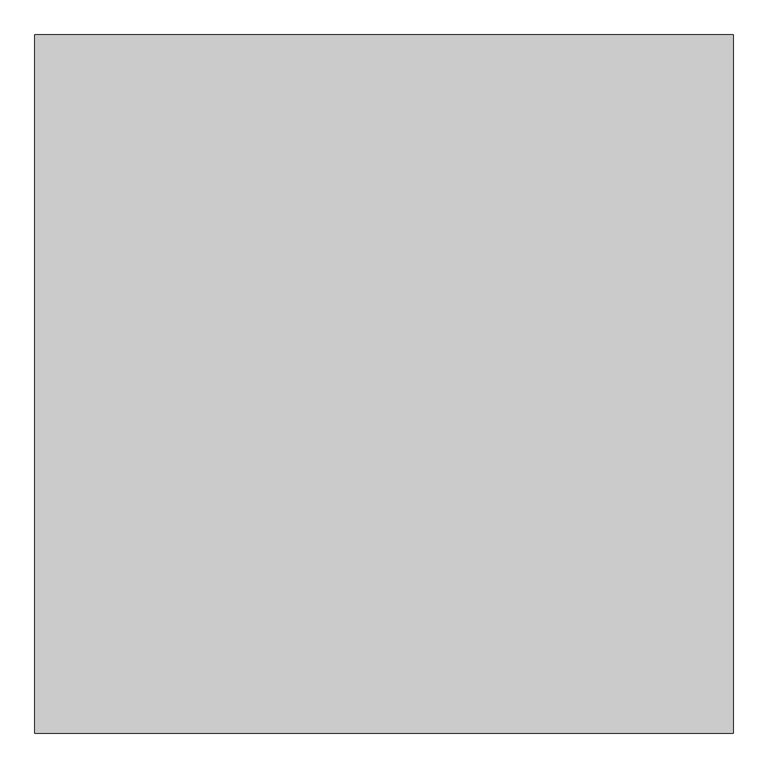
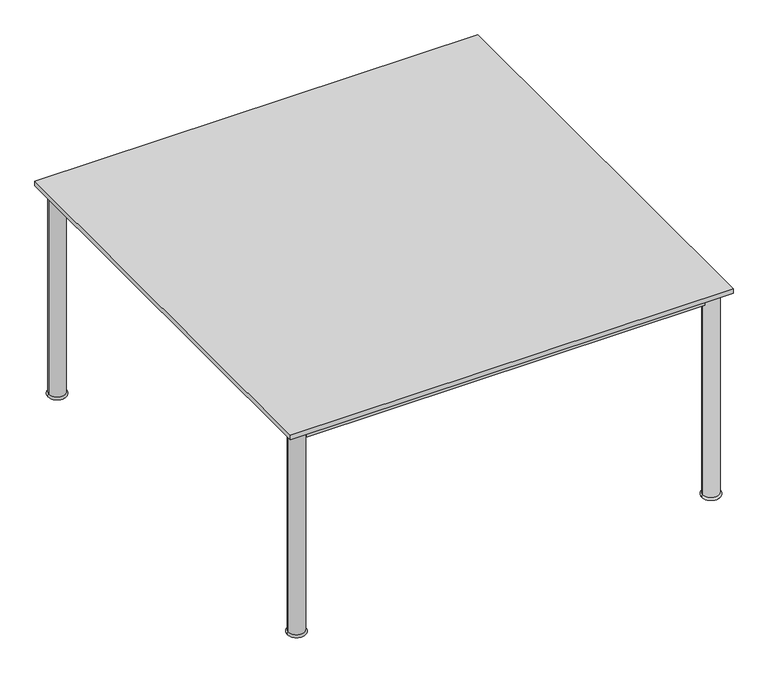
"""IFC4 building model written with IfcOpenShell, lengths in millimetres: furniture geometry."""

from ifc_helpers import new_model, si_unit, point, frame, origin, place, context, project, spatial, polyline, circle_curve, ellipse_curve, trimmed, outline, extrude, source, transform, mapped, element, save
from ifc_brep_helpers import plane_surface, cylinder_surface, revolved_surface, advanced_brep


def furniture_8cb492dd(model_context):
    return source(origin(), model_context, "Body", "SolidModel", [
        extrude(outline(polyline([(628.65, -648.5549408), (628.65, -667.6049408), (-628.65, -667.6049408), (-628.65, -648.5549408), (628.65, -648.5549408)])), frame((0.0, 0.0, 646.1125), z_axis=(0.0, 0.0, 1.0), x_axis=(1.0, 0.0, 0.0)), (0.0, 0.0, 1.0), 33.3375),
        extrude(outline(polyline([(628.65, 659.5450592), (628.65, 640.4950592), (-628.65, 640.4950592), (-628.65, 659.5450592), (628.65, 659.5450592)])), frame((0.0, 0.0, 646.1125), z_axis=(0.0, 0.0, 1.0), x_axis=(1.0, 0.0, 0.0)), (0.0, 0.0, 1.0), 33.3375),
        extrude(outline(polyline([(-644.525, 624.6200592), (-644.525, -632.6799408), (-663.575, -632.6799408), (-663.575, 624.6200592), (-644.525, 624.6200592)])), frame((0.0, 0.0, 646.1125), z_axis=(0.0, 0.0, 1.0), x_axis=(1.0, 0.0, 0.0)), (0.0, 0.0, 1.0), 33.3375),
        extrude(outline(polyline([(663.575, 624.6200592), (663.575, -632.6799408), (644.525, -632.6799408), (644.525, 624.6200592), (663.575, 624.6200592)])), frame((0.0, 0.0, 646.1125), z_axis=(0.0, 0.0, 1.0), x_axis=(1.0, 0.0, 0.0)), (0.0, 0.0, 1.0), 33.3375),
        advanced_brep(
        [(628.65, 650.0200592, 0.0), (679.45, 650.0200592, 0.0), (679.45, 650.0200592, 7.9375), (628.65, 650.0200592, 7.9375), (679.45, 650.0200592, 679.45), (628.65, 650.0200592, 679.45), (679.45, 650.0200592, 684.2125), (628.65, 650.0200592, 684.2125), (654.05, 650.0200592, 684.2125), (654.05, 650.0200592, 0.0)],
        [
            (0, 1, circle_curve(frame((654.05, 650.0200592, 0.0), z_axis=(0.0, 0.0, 1.0), x_axis=(1.0, 0.0, 0.0)), 25.4)),
            (1, 2, circle_curve(frame((679.45, 650.0200592, 3.96875), z_axis=(0.0, -1.0, 0.0), x_axis=(-1.0, 0.0, 0.0)), 3.96875)),
            (2, 3, circle_curve(frame((654.05, 650.0200592, 7.9375), z_axis=(0.0, 0.0, -1.0), x_axis=(1.0, 0.0, 0.0)), 25.4)),
            (3, 0, circle_curve(frame((628.65, 650.0200592, 3.96875), z_axis=(0.0, -1.0, 0.0), x_axis=(1.0, 0.0, 0.0)), 3.96875)),
            (1, 0, circle_curve(frame((654.05, 650.0200592, 0.0), z_axis=(0.0, 0.0, 1.0), x_axis=(1.0, 0.0, 0.0)), 25.4)),
            (3, 2, circle_curve(frame((654.05, 650.0200592, 7.9375), z_axis=(0.0, 0.0, -1.0), x_axis=(1.0, 0.0, 0.0)), 25.4)),
            (2, 4),
            (4, 5, circle_curve(frame((654.05, 650.0200592, 679.45), z_axis=(0.0, 0.0, -1.0), x_axis=(1.0, 0.0, 0.0)), 25.4)),
            (5, 3),
            (5, 4, circle_curve(frame((654.05, 650.0200592, 679.45), z_axis=(0.0, 0.0, -1.0), x_axis=(1.0, 0.0, 0.0)), 25.4)),
            (4, 6),
            (6, 7, circle_curve(frame((654.05, 650.0200592, 684.2125), z_axis=(0.0, 0.0, -1.0), x_axis=(1.0, 0.0, 0.0)), 25.4)),
            (7, 5),
            (7, 6, circle_curve(frame((654.05, 650.0200592, 684.2125), z_axis=(0.0, 0.0, -1.0), x_axis=(1.0, 0.0, 0.0)), 25.4)),
            (6, 8),
            (8, 7),
            (9, 1),
            (0, 9),
        ],
        [
            revolved_surface(trimmed(ellipse_curve(frame((679.45, 650.0200592, 3.96875), z_axis=(0.0, 1.0, 0.0), x_axis=(-1.0, 0.0, 0.0)), 3.96875, 3.96875), [point((679.45, 650.0200592, 7.9375))], [point((679.45, 650.0200592, 0.0))], True, "CARTESIAN"), (654.05, 650.0200592, 2438.4), (0.0, 0.0, -1.0)),
            cylinder_surface(frame((654.05, 650.0200592, 2438.4), z_axis=(0.0, 0.0, -1.0), x_axis=(1.0, 0.0, 0.0)), 25.4),
            plane_surface(frame((654.05, 650.0200592, 684.2125), z_axis=(0.0, 0.0, 1.0), x_axis=(1.0, 0.0, 0.0))),
            plane_surface(frame((654.05, 650.0200592, 0.0), z_axis=(0.0, 0.0, -1.0), x_axis=(1.0, 0.0, 0.0))),
        ],
        [
            (0, [[1, 2, 3, 4]]),
            (0, [[5, -4, 6, -2]]),
            (1, [[-3, 7, 8, 9]]),
            (1, [[-6, -9, 10, -7]]),
            (1, [[-8, 11, 12, 13]]),
            (1, [[-10, -13, 14, -11]]),
            (2, [[-12, 15, 16]]),
            (2, [[-14, -16, -15]]),
            (3, [[17, -1, 18]]),
            (3, [[-18, -5, -17]]),
        ],
    ),
        advanced_brep(
        [(-628.65, 650.0200592, 7.9375), (-679.45, 650.0200592, 7.9375), (-679.45, 650.0200592, 0.0), (-628.65, 650.0200592, 0.0), (-628.65, 650.0200592, 679.45), (-679.45, 650.0200592, 679.45), (-628.65, 650.0200592, 684.2125), (-679.45, 650.0200592, 684.2125), (-654.05, 650.0200592, 684.2125), (-654.05, 650.0200592, 0.0)],
        [
            (0, 1, circle_curve(frame((-654.05, 650.0200592, 7.9375), z_axis=(0.0, 0.0, -1.0), x_axis=(-1.0, 0.0, 0.0)), 25.4)),
            (1, 2, circle_curve(frame((-679.45, 650.0200592, 3.96875), z_axis=(0.0, -1.0, 0.0), x_axis=(-1.0, 0.0, 0.0)), 3.96875)),
            (2, 3, circle_curve(frame((-654.05, 650.0200592, 0.0), z_axis=(0.0, 0.0, 1.0), x_axis=(-1.0, 0.0, 0.0)), 25.4)),
            (3, 0, circle_curve(frame((-628.65, 650.0200592, 3.96875), z_axis=(0.0, -1.0, 0.0), x_axis=(1.0, 0.0, 0.0)), 3.96875)),
            (1, 0, circle_curve(frame((-654.05, 650.0200592, 7.9375), z_axis=(0.0, 0.0, -1.0), x_axis=(-1.0, 0.0, 0.0)), 25.4)),
            (3, 2, circle_curve(frame((-654.05, 650.0200592, 0.0), z_axis=(0.0, 0.0, 1.0), x_axis=(-1.0, 0.0, 0.0)), 25.4)),
            (4, 5, circle_curve(frame((-654.05, 650.0200592, 679.45), z_axis=(0.0, 0.0, -1.0), x_axis=(-1.0, 0.0, 0.0)), 25.4)),
            (5, 1),
            (0, 4),
            (5, 4, circle_curve(frame((-654.05, 650.0200592, 679.45), z_axis=(0.0, 0.0, -1.0), x_axis=(-1.0, 0.0, 0.0)), 25.4)),
            (6, 7, circle_curve(frame((-654.05, 650.0200592, 684.2125), z_axis=(0.0, 0.0, -1.0), x_axis=(-1.0, 0.0, 0.0)), 25.4)),
            (7, 5),
            (4, 6),
            (7, 6, circle_curve(frame((-654.05, 650.0200592, 684.2125), z_axis=(0.0, 0.0, -1.0), x_axis=(-1.0, 0.0, 0.0)), 25.4)),
            (8, 7),
            (6, 8),
            (2, 9),
            (9, 3),
        ],
        [
            revolved_surface(trimmed(ellipse_curve(frame((-679.45, 650.0200592, 3.96875), z_axis=(0.0, 1.0, 0.0), x_axis=(-1.0, 0.0, 0.0)), 3.96875, 3.96875), [point((-679.45, 650.0200592, 0.0))], [point((-679.45, 650.0200592, 7.9375))], True, "CARTESIAN"), (-654.05, 650.0200592, 2438.4), (0.0, 0.0, 1.0)),
            cylinder_surface(frame((-654.05, 650.0200592, 2438.4), z_axis=(0.0, 0.0, 1.0), x_axis=(-1.0, 0.0, 0.0)), 25.4),
            plane_surface(frame((-654.05, 650.0200592, 684.2125), z_axis=(0.0, 0.0, 1.0), x_axis=(-1.0, 0.0, 0.0))),
            plane_surface(frame((-654.05, 650.0200592, 0.0), z_axis=(0.0, 0.0, -1.0), x_axis=(-1.0, 0.0, 0.0))),
        ],
        [
            (0, [[1, 2, 3, 4]]),
            (0, [[5, -4, 6, -2]]),
            (1, [[7, 8, -1, 9]]),
            (1, [[10, -9, -5, -8]]),
            (1, [[11, 12, -7, 13]]),
            (1, [[14, -13, -10, -12]]),
            (2, [[15, -11, 16]]),
            (2, [[-16, -14, -15]]),
            (3, [[-3, 17, 18]]),
            (3, [[-6, -18, -17]]),
        ],
    ),
        advanced_brep(
        [(628.3957141, -658.0799408, 0.0), (679.7042859, -658.0799408, 0.0), (679.45, -658.0799408, 7.9293453), (628.65, -658.0799408, 7.9293453), (679.45, -658.0799408, 679.45), (628.65, -658.0799408, 679.45), (679.45, -658.0799408, 684.2125), (628.65, -658.0799408, 684.2125), (654.05, -658.0799408, 684.2125), (654.05, -658.0799408, 0.0)],
        [
            (0, 1, circle_curve(frame((654.05, -658.0799408, 0.0), z_axis=(0.0, 0.0, 1.0), x_axis=(1.0, 0.0, 0.0)), 25.6542859)),
            (1, 2, circle_curve(frame((679.7042859, -658.0799408, 3.96875), z_axis=(0.0, -1.0, 0.0), x_axis=(1.0, 0.0, 0.0)), 3.96875)),
            (2, 3, circle_curve(frame((654.05, -658.0799408, 7.9293453), z_axis=(0.0, 0.0, -1.0), x_axis=(1.0, 0.0, 0.0)), 25.4)),
            (3, 0, circle_curve(frame((628.3957141, -658.0799408, 3.96875), z_axis=(0.0, -1.0, 0.0), x_axis=(-1.0, 0.0, 0.0)), 3.96875)),
            (1, 0, circle_curve(frame((654.05, -658.0799408, 0.0), z_axis=(0.0, 0.0, 1.0), x_axis=(1.0, 0.0, 0.0)), 25.6542859)),
            (3, 2, circle_curve(frame((654.05, -658.0799408, 7.9293453), z_axis=(0.0, 0.0, -1.0), x_axis=(1.0, 0.0, 0.0)), 25.4)),
            (2, 4),
            (4, 5, circle_curve(frame((654.05, -658.0799408, 679.45), z_axis=(0.0, 0.0, -1.0), x_axis=(1.0, 0.0, 0.0)), 25.4)),
            (5, 3),
            (5, 4, circle_curve(frame((654.05, -658.0799408, 679.45), z_axis=(0.0, 0.0, -1.0), x_axis=(1.0, 0.0, 0.0)), 25.4)),
            (4, 6),
            (6, 7, circle_curve(frame((654.05, -658.0799408, 684.2125), z_axis=(0.0, 0.0, -1.0), x_axis=(1.0, 0.0, 0.0)), 25.4)),
            (7, 5),
            (7, 6, circle_curve(frame((654.05, -658.0799408, 684.2125), z_axis=(0.0, 0.0, -1.0), x_axis=(1.0, 0.0, 0.0)), 25.4)),
            (6, 8),
            (8, 7),
            (9, 1),
            (0, 9),
        ],
        [
            revolved_surface(trimmed(ellipse_curve(frame((679.7042859, -658.0799408, 3.96875), z_axis=(0.0, 1.0, 0.0), x_axis=(1.0, 0.0, 0.0)), 3.96875, 3.96875), [point((679.45, -658.0799408, 7.9293453))], [point((679.7042859, -658.0799408, 0.0))], True, "CARTESIAN"), (654.05, -658.0799408, 2438.4), (0.0, 0.0, -1.0)),
            cylinder_surface(frame((654.05, -658.0799408, 2438.4), z_axis=(0.0, 0.0, -1.0), x_axis=(1.0, 0.0, 0.0)), 25.4),
            plane_surface(frame((654.05, -658.0799408, 684.2125), z_axis=(0.0, 0.0, 1.0), x_axis=(1.0, 0.0, 0.0))),
            plane_surface(frame((654.05, -658.0799408, 0.0), z_axis=(0.0, 0.0, -1.0), x_axis=(1.0, 0.0, 0.0))),
        ],
        [
            (0, [[1, 2, 3, 4]]),
            (0, [[5, -4, 6, -2]]),
            (1, [[-3, 7, 8, 9]]),
            (1, [[-6, -9, 10, -7]]),
            (1, [[-8, 11, 12, 13]]),
            (1, [[-10, -13, 14, -11]]),
            (2, [[-12, 15, 16]]),
            (2, [[-14, -16, -15]]),
            (3, [[17, -1, 18]]),
            (3, [[-18, -5, -17]]),
        ],
    ),
        advanced_brep(
        [(-628.65, -658.0799408, 7.9375), (-679.45, -658.0799408, 7.9375), (-679.45, -658.0799408, 0.0), (-628.65, -658.0799408, 0.0), (-628.65, -658.0799408, 679.45), (-679.45, -658.0799408, 679.45), (-628.65, -658.0799408, 684.2125), (-679.45, -658.0799408, 684.2125), (-654.05, -658.0799408, 684.2125), (-654.05, -658.0799408, 0.0)],
        [
            (0, 1, circle_curve(frame((-654.05, -658.0799408, 7.9375), z_axis=(0.0, 0.0, -1.0), x_axis=(-1.0, 0.0, 0.0)), 25.4)),
            (1, 2, circle_curve(frame((-679.45, -658.0799408, 3.96875), z_axis=(0.0, -1.0, 0.0), x_axis=(-1.0, 0.0, 0.0)), 3.96875)),
            (2, 3, circle_curve(frame((-654.05, -658.0799408, 0.0), z_axis=(0.0, 0.0, 1.0), x_axis=(-1.0, 0.0, 0.0)), 25.4)),
            (3, 0, circle_curve(frame((-628.65, -658.0799408, 3.96875), z_axis=(0.0, -1.0, 0.0), x_axis=(1.0, 0.0, 0.0)), 3.96875)),
            (1, 0, circle_curve(frame((-654.05, -658.0799408, 7.9375), z_axis=(0.0, 0.0, -1.0), x_axis=(-1.0, 0.0, 0.0)), 25.4)),
            (3, 2, circle_curve(frame((-654.05, -658.0799408, 0.0), z_axis=(0.0, 0.0, 1.0), x_axis=(-1.0, 0.0, 0.0)), 25.4)),
            (4, 5, circle_curve(frame((-654.05, -658.0799408, 679.45), z_axis=(0.0, 0.0, -1.0), x_axis=(-1.0, 0.0, 0.0)), 25.4)),
            (5, 1),
            (0, 4),
            (5, 4, circle_curve(frame((-654.05, -658.0799408, 679.45), z_axis=(0.0, 0.0, -1.0), x_axis=(-1.0, 0.0, 0.0)), 25.4)),
            (6, 7, circle_curve(frame((-654.05, -658.0799408, 684.2125), z_axis=(0.0, 0.0, -1.0), x_axis=(-1.0, 0.0, 0.0)), 25.4)),
            (7, 5),
            (4, 6),
            (7, 6, circle_curve(frame((-654.05, -658.0799408, 684.2125), z_axis=(0.0, 0.0, -1.0), x_axis=(-1.0, 0.0, 0.0)), 25.4)),
            (8, 7),
            (6, 8),
            (2, 9),
            (9, 3),
        ],
        [
            revolved_surface(trimmed(ellipse_curve(frame((-679.45, -658.0799408, 3.96875), z_axis=(0.0, 1.0, 0.0), x_axis=(-1.0, 0.0, 0.0)), 3.96875, 3.96875), [point((-679.45, -658.0799408, 0.0))], [point((-679.45, -658.0799408, 7.9375))], True, "CARTESIAN"), (-654.05, -658.0799408, 2438.4), (0.0, 0.0, 1.0)),
            cylinder_surface(frame((-654.05, -658.0799408, 2438.4), z_axis=(0.0, 0.0, 1.0), x_axis=(-1.0, 0.0, 0.0)), 25.4),
            plane_surface(frame((-654.05, -658.0799408, 684.2125), z_axis=(0.0, 0.0, 1.0), x_axis=(-1.0, 0.0, 0.0))),
            plane_surface(frame((-654.05, -658.0799408, 0.0), z_axis=(0.0, 0.0, -1.0), x_axis=(-1.0, 0.0, 0.0))),
        ],
        [
            (0, [[1, 2, 3, 4]]),
            (0, [[5, -4, 6, -2]]),
            (1, [[7, 8, -1, 9]]),
            (1, [[10, -9, -5, -8]]),
            (1, [[11, 12, -7, 13]]),
            (1, [[14, -13, -10, -12]]),
            (2, [[15, -11, 16]]),
            (2, [[-16, -14, -15]]),
            (3, [[-3, 17, 18]]),
            (3, [[-6, -18, -17]]),
        ],
    ),
        extrude(outline(polyline([(698.5, 694.4700592), (698.5, -702.5299408), (-698.5, -702.5299408), (-698.5, 694.4700592), (698.5, 694.4700592)])), frame((0.0, 0.0, 684.2125), z_axis=(0.0, 0.0, 1.0), x_axis=(1.0, 0.0, 0.0)), (0.0, 0.0, 1.0), 14.2875),
    ])


if __name__ == "__main__":
    model = new_model("IFC4")
    model_context = context("Model", 3, world=origin())
    ifc_project = project(units=[si_unit("LENGTHUNIT", "METRE", prefix="MILLI")], contexts=[model_context])
    site = spatial("IfcSite", under=ifc_project)
    building = spatial("IfcBuilding", under=site)
    placement = place(None, origin())
    furniture_shape = furniture_8cb492dd(model_context)
    element("IfcFurniture", 1, at=placement, inside=building, context=model_context, shape_type="MappedRepresentation", body=[
        mapped(furniture_shape, transform((0.0, 0.0, 0.0), x_axis=(1.0, 0.0, 0.0), y_axis=(0.0, 1.0, 0.0), z_axis=(0.0, 0.0, 1.0))),
    ])
    save(model, "model.ifc")
